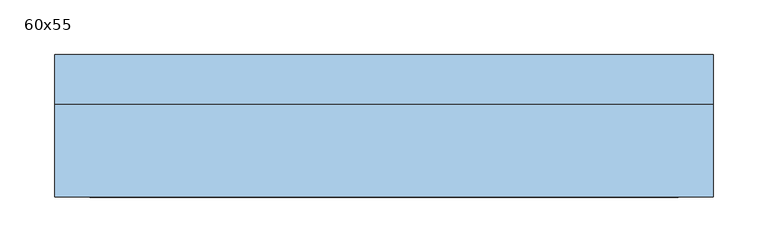
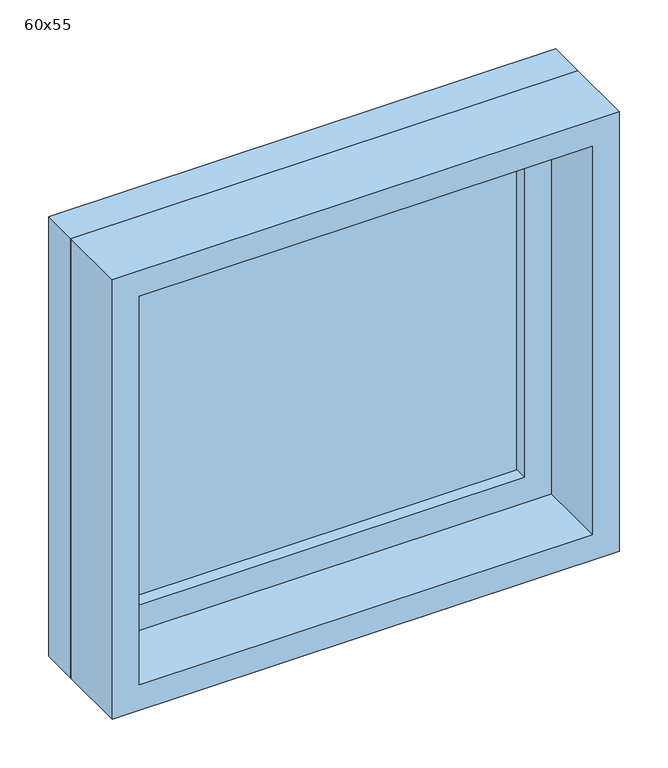
"""IFC4 building model written with IfcOpenShell, lengths in millimetres: window geometry, 60x55."""

from ifc_helpers import new_model, si_unit, frame, origin, place, context, project, spatial, polyline, outline, extrude, source, transform, mapped, element, save


def window_60x55_ea644980(model_context):
    return source(origin(), model_context, "Body", "SweptSolid", [
        extrude(outline(polyline([(198.4, 35.425), (-274.6, 35.425), (-274.6, 48.125), (198.4, 48.125), (198.4, 35.425)])), frame((0.0, 0.0, 963.5), z_axis=(0.0, 0.0, 1.0), x_axis=(1.0, 0.0, 0.0)), (0.0, 0.0, 1.0), 423.0),
        extrude(outline(polyline([(1430.95, -319.05), (919.05, -319.05), (919.05, 242.85), (1430.95, 242.85), (1430.95, -319.05)]), holes=[polyline([(1386.5, -274.6), (1386.5, 198.4), (963.5, 198.4), (963.5, -274.6), (1386.5, -274.6)])]), frame((0.0, 19.55, 0.0), z_axis=(0.0, 1.0, 0.0), x_axis=(0.0, 0.0, 1.0)), (0.0, 0.0, 1.0), 44.45),
        extrude(outline(polyline([(1450.0, -338.1), (900.0, -338.1), (900.0, 261.9), (1450.0, 261.9), (1450.0, -338.1)]), holes=[polyline([(1418.25, -306.35), (1418.25, 230.15), (931.75, 230.15), (931.75, -306.35), (1418.25, -306.35)])]), frame((0.0, -65.0, 0.0), z_axis=(0.0, 1.0, 0.0), x_axis=(0.0, 0.0, 1.0)), (0.0, 0.0, 1.0), 84.55),
        extrude(outline(polyline([(1450.0, 261.9), (1450.0, -338.1), (900.0, -338.1), (900.0, 261.9), (1450.0, 261.9)]), holes=[polyline([(1430.95, 242.85), (919.05, 242.85), (919.05, -319.05), (1430.95, -319.05), (1430.95, 242.85)])]), frame((0.0, 19.55, 0.0), z_axis=(0.0, 1.0, 0.0), x_axis=(0.0, 0.0, 1.0)), (0.0, 0.0, 1.0), 45.45),
    ])


if __name__ == "__main__":
    model = new_model("IFC4")
    model_context = context("Model", 3, world=origin())
    ifc_project = project(units=[si_unit("LENGTHUNIT", "METRE", prefix="MILLI")], contexts=[model_context])
    site = spatial("IfcSite", under=ifc_project)
    building = spatial("IfcBuilding", under=site)
    placement = place(None, origin())
    window_60x55_shape = window_60x55_ea644980(model_context)
    element("IfcWindow", 1, ObjectType="60x55", at=placement, inside=building, context=model_context, shape_type="MappedRepresentation", body=[
        mapped(window_60x55_shape, transform((0.0, 0.0, 0.0), x_axis=(1.0, 0.0, 0.0), y_axis=(0.0, 1.0, 0.0), z_axis=(0.0, 0.0, 1.0))),
    ])
    save(model, "model.ifc")
